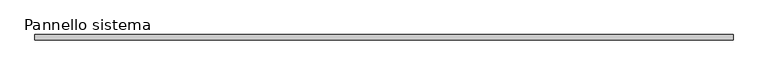
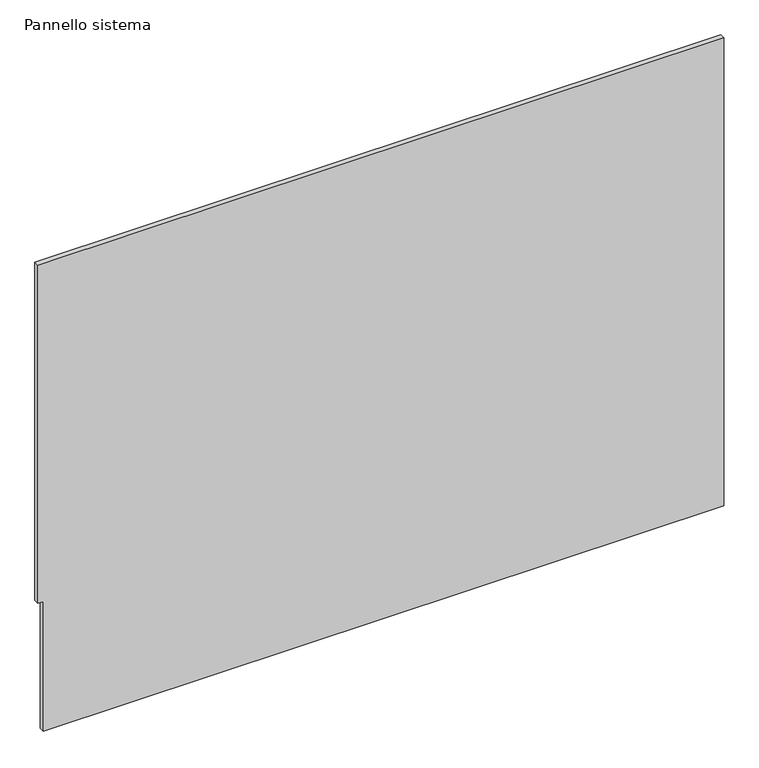
"""IFC4 building model written with IfcOpenShell, lengths in millimetres: plate geometry, Pannello sistema."""

import ifcopenshell
import ifcopenshell.guid

model = None  # the IFC model being written
_history = None  # IfcOwnerHistory: only IFC2X3 demands one
_inside = {}  # id of a spatial element -> (the spatial element, [elements in it])
_under = {}  # id of a project, library or spatial element -> (it, [spatial elements below it])
_declared = {}  # id of a project -> (the project, [libraries it declares])
_typed = {}  # id of a type object -> (the type object, [elements of that type])
_made_of = {}  # id of a material, layer set ... -> (it, [elements and type objects made of it])


def new_model(schema):
    """Start an empty IFC model of exactly this schema.

    Asked for "IFC4X3", IfcOpenShell would pick the latest addendum, in which some entities
    have other attributes; the version numbers below select the first issue.
    IFC2X3 requires an IfcOwnerHistory on every rooted entity: one is made here for all.
    """
    global model, _history
    if schema == "IFC4X3":
        model = ifcopenshell.file(schema_version=(4, 3, 0, 0))
    else:
        model = ifcopenshell.file(schema=schema)
    _inside.clear()
    _under.clear()
    _declared.clear()
    _typed.clear()
    _made_of.clear()
    _history = None
    if model.schema == "IFC2X3":
        org = make("IfcOrganization", Name="unknown")
        user = make(
            "IfcPersonAndOrganization",
            ThePerson=make("IfcPerson", FamilyName="unknown"),
            TheOrganization=org,
        )
        app = make(
            "IfcApplication",
            ApplicationDeveloper=org,
            Version="unknown",
            ApplicationFullName="unknown",
            ApplicationIdentifier="unknown",
        )
        _history = make(
            "IfcOwnerHistory",
            OwningUser=user,
            OwningApplication=app,
            ChangeAction="ADDED",
            CreationDate=0,
        )
    return model


def make(cls, **values):
    """One entity of the class cls with the attributes given. An attribute that is None is left unset."""
    return model.create_entity(
        cls, **{name: value for name, value in values.items() if value is not None}
    )


def rooted(cls, **values):
    """An entity with a GlobalId (a new one), such as an element, a storey or a relation."""
    return make(cls, GlobalId=ifcopenshell.guid.new(), OwnerHistory=_history, **values)


def si_unit(unit_type, name, prefix=None):
    """IfcSIUnit, for example si_unit("LENGTHUNIT", "METRE", prefix="MILLI")."""
    return make("IfcSIUnit", UnitType=unit_type, Prefix=prefix, Name=name)


def assignment(units):
    """IfcUnitAssignment: the units of a project."""
    return None if units is None else make("IfcUnitAssignment", Units=units)


def point(xyz):
    """IfcCartesianPoint."""
    return None if xyz is None else make("IfcCartesianPoint", Coordinates=xyz)


def direction(xyz):
    """IfcDirection."""
    return None if xyz is None else make("IfcDirection", DirectionRatios=xyz)


def frame(location, z_axis=None, x_axis=None):
    """IfcAxis2Placement3D, a coordinate frame: its origin and axes. An axis left out is left unset."""
    return make(
        "IfcAxis2Placement3D",
        Location=point(location),
        Axis=direction(z_axis),
        RefDirection=direction(x_axis),
    )


def origin():
    """The frame at (0, 0, 0) with its axes left unset."""
    return frame((0.0, 0.0, 0.0))


def place(relative_to, where):
    """IfcLocalPlacement: puts the frame where relative to a parent placement (None: the world)."""
    return make(
        "IfcLocalPlacement", PlacementRelTo=relative_to, RelativePlacement=where
    )


def context(
    kind, dimensions, precision=None, world=None, true_north=None, identifier=None
):
    """IfcGeometricRepresentationContext, for example the 3D "Model" context."""
    return make(
        "IfcGeometricRepresentationContext",
        ContextIdentifier=identifier,
        ContextType=kind,
        CoordinateSpaceDimension=dimensions,
        Precision=precision,
        WorldCoordinateSystem=world,
        TrueNorth=true_north,
    )


def project(units=None, contexts=None):
    """IfcProject with its units and contexts."""
    return rooted(
        "IfcProject",
        Name="project",
        RepresentationContexts=contexts,
        UnitsInContext=assignment(units),
    )


def spatial(cls, under=None, at=None, **own):
    """A site, building, storey or space (cls), placed at a placement, below another one or the project."""
    s = rooted(cls, ObjectPlacement=at, **own)
    if under is not None:
        _under.setdefault(under.id(), (under, []))[1].append(s)
    return s


def polyline(points):
    """IfcPolyline through the points."""
    return make("IfcPolyline", Points=[point(p) for p in points])


def outline(outer, holes=None, kind="AREA"):
    """IfcArbitraryClosedProfileDef: a profile drawn as a closed curve; with holes, ...WithVoids."""
    if holes is None:
        return make("IfcArbitraryClosedProfileDef", ProfileType=kind, OuterCurve=outer)
    return make(
        "IfcArbitraryProfileDefWithVoids",
        ProfileType=kind,
        OuterCurve=outer,
        InnerCurves=holes,
    )


def extrude(swept, where, along, depth):
    """IfcExtrudedAreaSolid: the profile swept, set in the frame where, extruded along a direction by depth."""
    return make(
        "IfcExtrudedAreaSolid",
        SweptArea=swept,
        Position=where,
        ExtrudedDirection=direction(along),
        Depth=depth,
    )


def shape(context_of_items, identifier, shape_type, items):
    """IfcShapeRepresentation: the items that make up one representation, for example the "Body"."""
    return make(
        "IfcShapeRepresentation",
        ContextOfItems=context_of_items,
        RepresentationIdentifier=identifier,
        RepresentationType=shape_type,
        Items=items,
    )


def source(mapping_origin, context_of_items, identifier, shape_type, items):
    """IfcRepresentationMap: a shape defined once, which mapped items show again and again."""
    return make(
        "IfcRepresentationMap",
        MappingOrigin=mapping_origin,
        MappedRepresentation=shape(context_of_items, identifier, shape_type, items),
    )


def transform(
    local_origin,
    x_axis=None,
    y_axis=None,
    z_axis=None,
    scale=None,
    scale2=None,
    scale3=None,
    uniform=True,
):
    """IfcCartesianTransformationOperator3D, or its non-uniform kind. x_axis, y_axis, z_axis: its Axis1, 2, 3."""
    if uniform:
        return make(
            "IfcCartesianTransformationOperator3D",
            Axis1=direction(x_axis),
            Axis2=direction(y_axis),
            LocalOrigin=point(local_origin),
            Scale=scale,
            Axis3=direction(z_axis),
        )
    return make(
        "IfcCartesianTransformationOperator3DnonUniform",
        Axis1=direction(x_axis),
        Axis2=direction(y_axis),
        LocalOrigin=point(local_origin),
        Scale=scale,
        Axis3=direction(z_axis),
        Scale2=scale2,
        Scale3=scale3,
    )


def mapped(mapping_source, mapping_target):
    """IfcMappedItem: shows the shape of a source again, moved by a transform."""
    return make(
        "IfcMappedItem", MappingSource=mapping_source, MappingTarget=mapping_target
    )


def made_of(thing, what):
    """Note that an element or type object is made of a material, layer set ...; save() writes the relation."""
    if what is not None:
        _made_of.setdefault(what.id(), (what, []))[1].append(thing)
    return thing


def element(
    cls,
    number,
    at=None,
    inside=None,
    cuts=None,
    type_object=None,
    material=None,
    context=None,
    identifier="Body",
    shape_type=None,
    held_by="IfcProductDefinitionShape",
    body=None,
    shapes=None,
    **own,
):
    """One element of the class cls, such as IfcWall. Its Tag is "e" and its number.

    at: its placement. inside: the storey or other place that contains it. cuts: it is an
    opening in that element (IfcRelVoidsElement). A single representation is given by context,
    identifier, shape_type and body (its items); several are given by shapes. held_by: the class
    of the entity that holds the representations. save() writes the other relations.
    """
    e = rooted(cls, Tag="e%d" % number, ObjectPlacement=at, **own)
    if body is not None:
        shapes = [shape(context, identifier, shape_type, body)]
    if shapes is not None:
        e.Representation = make(held_by, Representations=shapes)
    if inside is not None:
        _inside.setdefault(inside.id(), (inside, []))[1].append(e)
    if cuts is not None:
        rooted(
            "IfcRelVoidsElement", RelatingBuildingElement=cuts, RelatedOpeningElement=e
        )
    if type_object is not None:
        _typed.setdefault(type_object.id(), (type_object, []))[1].append(e)
    return made_of(e, material)


def aggregate(whole, parts):
    """IfcRelAggregates: a whole, such as a stair, and the parts it consists of."""
    return rooted("IfcRelAggregates", RelatingObject=whole, RelatedObjects=parts)


def save(model, path):
    """Write the relations noted so far, then the file.

    IfcRelAggregates (storeys below a building ...), IfcRelContainedInSpatialStructure (elements
    in a storey), IfcRelDefinesByType, IfcRelAssociatesMaterial and IfcRelDeclares: one each for
    every whole, place, type object, material and project.
    """
    for whole, parts in _under.values():
        aggregate(whole, parts)
    for where, things in _inside.values():
        rooted(
            "IfcRelContainedInSpatialStructure",
            RelatedElements=things,
            RelatingStructure=where,
        )
    for kind, things in _typed.values():
        rooted("IfcRelDefinesByType", RelatedObjects=things, RelatingType=kind)
    for what, things in _made_of.values():
        rooted("IfcRelAssociatesMaterial", RelatedObjects=things, RelatingMaterial=what)
    for by, libraries in _declared.values():
        rooted("IfcRelDeclares", RelatingContext=by, RelatedDefinitions=libraries)
    model.write(path)


def pannello_sistema_93ece1bb(model_context):
    return source(origin(), model_context, "Body", "SweptSolid", [
        extrude(outline(polyline([(0.0, -1590.0), (0.0, 1615.0), (2330.0, 1615.0), (2330.0, -1615.0), (646.3763421, -1615.0), (646.3763421, -1590.0), (0.0, -1590.0)])), frame((0.0, -12.5, 0.0), z_axis=(0.0, 1.0, 0.0), x_axis=(0.0, 0.0, 1.0)), (0.0, 0.0, 1.0), 25.0),
    ])


if __name__ == "__main__":
    model = new_model("IFC4")
    model_context = context("Model", 3, world=origin())
    ifc_project = project(units=[si_unit("LENGTHUNIT", "METRE", prefix="MILLI")], contexts=[model_context])
    site = spatial("IfcSite", under=ifc_project)
    building = spatial("IfcBuilding", under=site)
    placement = place(None, origin())
    pannello_sistema_shape = pannello_sistema_93ece1bb(model_context)
    element("IfcPlate", 1, ObjectType="Pannello sistema", at=placement, inside=building, context=model_context, shape_type="MappedRepresentation", body=[
        mapped(pannello_sistema_shape, transform((0.0, 0.0, 0.0), x_axis=(1.0, 0.0, 0.0), y_axis=(0.0, 1.0, 0.0), z_axis=(0.0, 0.0, 1.0))),
    ])
    save(model, "model.ifc")
